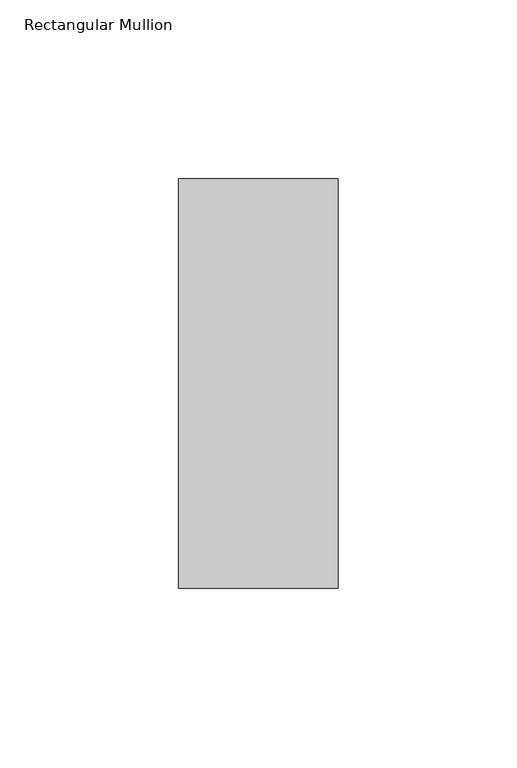
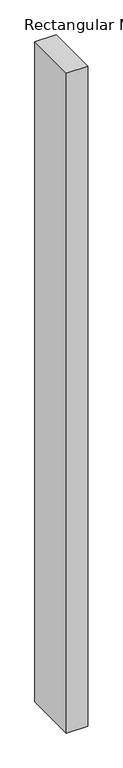
"""IFC4 building model written with IfcOpenShell, lengths in millimetres: member geometry, Rectangular Mullion."""

from ifc_helpers import new_model, si_unit, frame, origin, place, context, project, spatial, polyline, outline, extrude, source, transform, mapped, element, save


def rectangular_mullion_9d0bfc57(model_context):
    return source(origin(), model_context, "Body", "SweptSolid", [
        extrude(outline(polyline([(0.0, 56.3844454), (0.0, -57.9084454), (-44.45, -57.9084454), (-44.45, 56.3844454), (0.0, 56.3844454)])), frame((0.0, 0.0, -1457.3392248), z_axis=(0.0, 0.0, 1.0), x_axis=(1.0, 0.0, 0.0)), (0.0, 0.0, 1.0), 1457.3392248),
    ])


if __name__ == "__main__":
    model = new_model("IFC4")
    model_context = context("Model", 3, world=origin())
    ifc_project = project(units=[si_unit("LENGTHUNIT", "METRE", prefix="MILLI")], contexts=[model_context])
    site = spatial("IfcSite", under=ifc_project)
    building = spatial("IfcBuilding", under=site)
    placement = place(None, origin())
    rectangular_mullion_shape = rectangular_mullion_9d0bfc57(model_context)
    element("IfcMember", 1, ObjectType="Rectangular Mullion", at=placement, inside=building, context=model_context, shape_type="MappedRepresentation", body=[
        mapped(rectangular_mullion_shape, transform((0.0, 0.0, 0.0), x_axis=(1.0, 0.0, 0.0), y_axis=(0.0, 1.0, 0.0), z_axis=(0.0, 0.0, 1.0))),
    ])
    save(model, "model.ifc")
